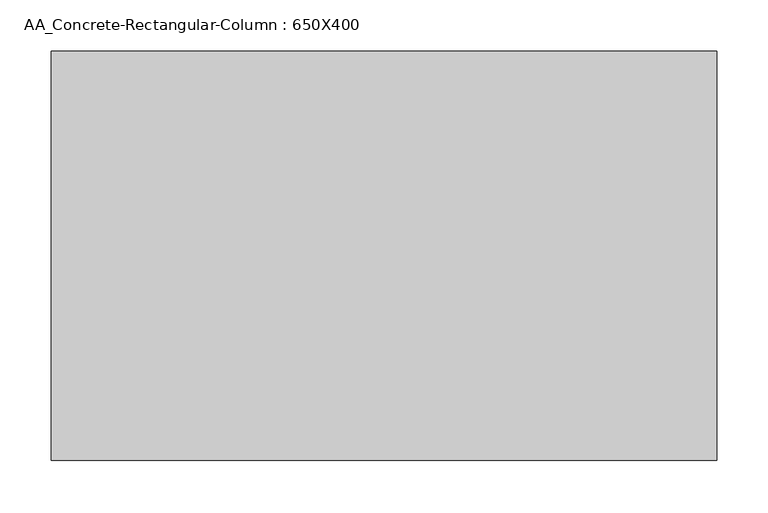
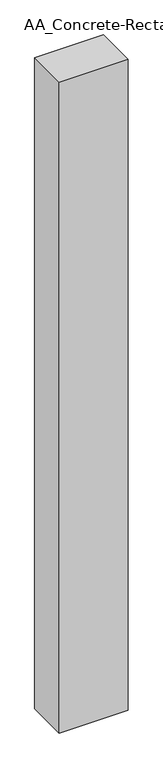
"""IFC4 building model written with IfcOpenShell, lengths in millimetres: column geometry, AA_Concrete-Rectangular-Column : 650X400."""

import ifcopenshell
import ifcopenshell.guid

model = None  # the IFC model being written
_history = None  # IfcOwnerHistory: only IFC2X3 demands one
_inside = {}  # id of a spatial element -> (the spatial element, [elements in it])
_under = {}  # id of a project, library or spatial element -> (it, [spatial elements below it])
_declared = {}  # id of a project -> (the project, [libraries it declares])
_typed = {}  # id of a type object -> (the type object, [elements of that type])
_made_of = {}  # id of a material, layer set ... -> (it, [elements and type objects made of it])


def new_model(schema):
    """Start an empty IFC model of exactly this schema.

    Asked for "IFC4X3", IfcOpenShell would pick the latest addendum, in which some entities
    have other attributes; the version numbers below select the first issue.
    IFC2X3 requires an IfcOwnerHistory on every rooted entity: one is made here for all.
    """
    global model, _history
    if schema == "IFC4X3":
        model = ifcopenshell.file(schema_version=(4, 3, 0, 0))
    else:
        model = ifcopenshell.file(schema=schema)
    _inside.clear()
    _under.clear()
    _declared.clear()
    _typed.clear()
    _made_of.clear()
    _history = None
    if model.schema == "IFC2X3":
        org = make("IfcOrganization", Name="unknown")
        user = make(
            "IfcPersonAndOrganization",
            ThePerson=make("IfcPerson", FamilyName="unknown"),
            TheOrganization=org,
        )
        app = make(
            "IfcApplication",
            ApplicationDeveloper=org,
            Version="unknown",
            ApplicationFullName="unknown",
            ApplicationIdentifier="unknown",
        )
        _history = make(
            "IfcOwnerHistory",
            OwningUser=user,
            OwningApplication=app,
            ChangeAction="ADDED",
            CreationDate=0,
        )
    return model


def make(cls, **values):
    """One entity of the class cls with the attributes given. An attribute that is None is left unset."""
    return model.create_entity(
        cls, **{name: value for name, value in values.items() if value is not None}
    )


def rooted(cls, **values):
    """An entity with a GlobalId (a new one), such as an element, a storey or a relation."""
    return make(cls, GlobalId=ifcopenshell.guid.new(), OwnerHistory=_history, **values)


def si_unit(unit_type, name, prefix=None):
    """IfcSIUnit, for example si_unit("LENGTHUNIT", "METRE", prefix="MILLI")."""
    return make("IfcSIUnit", UnitType=unit_type, Prefix=prefix, Name=name)


def assignment(units):
    """IfcUnitAssignment: the units of a project."""
    return None if units is None else make("IfcUnitAssignment", Units=units)


def point(xyz):
    """IfcCartesianPoint."""
    return None if xyz is None else make("IfcCartesianPoint", Coordinates=xyz)


def direction(xyz):
    """IfcDirection."""
    return None if xyz is None else make("IfcDirection", DirectionRatios=xyz)


def frame(location, z_axis=None, x_axis=None):
    """IfcAxis2Placement3D, a coordinate frame: its origin and axes. An axis left out is left unset."""
    return make(
        "IfcAxis2Placement3D",
        Location=point(location),
        Axis=direction(z_axis),
        RefDirection=direction(x_axis),
    )


def origin():
    """The frame at (0, 0, 0) with its axes left unset."""
    return frame((0.0, 0.0, 0.0))


def place(relative_to, where):
    """IfcLocalPlacement: puts the frame where relative to a parent placement (None: the world)."""
    return make(
        "IfcLocalPlacement", PlacementRelTo=relative_to, RelativePlacement=where
    )


def context(
    kind, dimensions, precision=None, world=None, true_north=None, identifier=None
):
    """IfcGeometricRepresentationContext, for example the 3D "Model" context."""
    return make(
        "IfcGeometricRepresentationContext",
        ContextIdentifier=identifier,
        ContextType=kind,
        CoordinateSpaceDimension=dimensions,
        Precision=precision,
        WorldCoordinateSystem=world,
        TrueNorth=true_north,
    )


def project(units=None, contexts=None):
    """IfcProject with its units and contexts."""
    return rooted(
        "IfcProject",
        Name="project",
        RepresentationContexts=contexts,
        UnitsInContext=assignment(units),
    )


def spatial(cls, under=None, at=None, **own):
    """A site, building, storey or space (cls), placed at a placement, below another one or the project."""
    s = rooted(cls, ObjectPlacement=at, **own)
    if under is not None:
        _under.setdefault(under.id(), (under, []))[1].append(s)
    return s


def polyline(points):
    """IfcPolyline through the points."""
    return make("IfcPolyline", Points=[point(p) for p in points])


def outline(outer, holes=None, kind="AREA"):
    """IfcArbitraryClosedProfileDef: a profile drawn as a closed curve; with holes, ...WithVoids."""
    if holes is None:
        return make("IfcArbitraryClosedProfileDef", ProfileType=kind, OuterCurve=outer)
    return make(
        "IfcArbitraryProfileDefWithVoids",
        ProfileType=kind,
        OuterCurve=outer,
        InnerCurves=holes,
    )


def extrude(swept, where, along, depth):
    """IfcExtrudedAreaSolid: the profile swept, set in the frame where, extruded along a direction by depth."""
    return make(
        "IfcExtrudedAreaSolid",
        SweptArea=swept,
        Position=where,
        ExtrudedDirection=direction(along),
        Depth=depth,
    )


def shape(context_of_items, identifier, shape_type, items):
    """IfcShapeRepresentation: the items that make up one representation, for example the "Body"."""
    return make(
        "IfcShapeRepresentation",
        ContextOfItems=context_of_items,
        RepresentationIdentifier=identifier,
        RepresentationType=shape_type,
        Items=items,
    )


def source(mapping_origin, context_of_items, identifier, shape_type, items):
    """IfcRepresentationMap: a shape defined once, which mapped items show again and again."""
    return make(
        "IfcRepresentationMap",
        MappingOrigin=mapping_origin,
        MappedRepresentation=shape(context_of_items, identifier, shape_type, items),
    )


def transform(
    local_origin,
    x_axis=None,
    y_axis=None,
    z_axis=None,
    scale=None,
    scale2=None,
    scale3=None,
    uniform=True,
):
    """IfcCartesianTransformationOperator3D, or its non-uniform kind. x_axis, y_axis, z_axis: its Axis1, 2, 3."""
    if uniform:
        return make(
            "IfcCartesianTransformationOperator3D",
            Axis1=direction(x_axis),
            Axis2=direction(y_axis),
            LocalOrigin=point(local_origin),
            Scale=scale,
            Axis3=direction(z_axis),
        )
    return make(
        "IfcCartesianTransformationOperator3DnonUniform",
        Axis1=direction(x_axis),
        Axis2=direction(y_axis),
        LocalOrigin=point(local_origin),
        Scale=scale,
        Axis3=direction(z_axis),
        Scale2=scale2,
        Scale3=scale3,
    )


def mapped(mapping_source, mapping_target):
    """IfcMappedItem: shows the shape of a source again, moved by a transform."""
    return make(
        "IfcMappedItem", MappingSource=mapping_source, MappingTarget=mapping_target
    )


def made_of(thing, what):
    """Note that an element or type object is made of a material, layer set ...; save() writes the relation."""
    if what is not None:
        _made_of.setdefault(what.id(), (what, []))[1].append(thing)
    return thing


def element(
    cls,
    number,
    at=None,
    inside=None,
    cuts=None,
    type_object=None,
    material=None,
    context=None,
    identifier="Body",
    shape_type=None,
    held_by="IfcProductDefinitionShape",
    body=None,
    shapes=None,
    **own,
):
    """One element of the class cls, such as IfcWall. Its Tag is "e" and its number.

    at: its placement. inside: the storey or other place that contains it. cuts: it is an
    opening in that element (IfcRelVoidsElement). A single representation is given by context,
    identifier, shape_type and body (its items); several are given by shapes. held_by: the class
    of the entity that holds the representations. save() writes the other relations.
    """
    e = rooted(cls, Tag="e%d" % number, ObjectPlacement=at, **own)
    if body is not None:
        shapes = [shape(context, identifier, shape_type, body)]
    if shapes is not None:
        e.Representation = make(held_by, Representations=shapes)
    if inside is not None:
        _inside.setdefault(inside.id(), (inside, []))[1].append(e)
    if cuts is not None:
        rooted(
            "IfcRelVoidsElement", RelatingBuildingElement=cuts, RelatedOpeningElement=e
        )
    if type_object is not None:
        _typed.setdefault(type_object.id(), (type_object, []))[1].append(e)
    return made_of(e, material)


def aggregate(whole, parts):
    """IfcRelAggregates: a whole, such as a stair, and the parts it consists of."""
    return rooted("IfcRelAggregates", RelatingObject=whole, RelatedObjects=parts)


def save(model, path):
    """Write the relations noted so far, then the file.

    IfcRelAggregates (storeys below a building ...), IfcRelContainedInSpatialStructure (elements
    in a storey), IfcRelDefinesByType, IfcRelAssociatesMaterial and IfcRelDeclares: one each for
    every whole, place, type object, material and project.
    """
    for whole, parts in _under.values():
        aggregate(whole, parts)
    for where, things in _inside.values():
        rooted(
            "IfcRelContainedInSpatialStructure",
            RelatedElements=things,
            RelatingStructure=where,
        )
    for kind, things in _typed.values():
        rooted("IfcRelDefinesByType", RelatedObjects=things, RelatingType=kind)
    for what, things in _made_of.values():
        rooted("IfcRelAssociatesMaterial", RelatedObjects=things, RelatingMaterial=what)
    for by, libraries in _declared.values():
        rooted("IfcRelDeclares", RelatingContext=by, RelatedDefinitions=libraries)
    model.write(path)


def aa_concrete_rectangular_column_650x400_cbd3d94d(model_context):
    return source(origin(), model_context, "Body", "SweptSolid", [
        extrude(outline(polyline([(325.0, 200.0), (325.0, -200.0), (-325.0, -200.0), (-325.0, 200.0), (325.0, 200.0)])), frame((0.0, 0.0, -2500.0), z_axis=(0.0, 0.0, 1.0), x_axis=(1.0, 0.0, 0.0)), (0.0, 0.0, 1.0), 6500.0),
    ])


if __name__ == "__main__":
    model = new_model("IFC4")
    model_context = context("Model", 3, world=origin())
    ifc_project = project(units=[si_unit("LENGTHUNIT", "METRE", prefix="MILLI")], contexts=[model_context])
    site = spatial("IfcSite", under=ifc_project)
    building = spatial("IfcBuilding", under=site)
    placement = place(None, origin())
    aa_concrete_rectangular_column_650x400_shape = aa_concrete_rectangular_column_650x400_cbd3d94d(model_context)
    element("IfcColumn", 1, ObjectType="AA_Concrete-Rectangular-Column : 650X400", at=placement, inside=building, context=model_context, shape_type="MappedRepresentation", body=[
        mapped(aa_concrete_rectangular_column_650x400_shape, transform((0.0, 0.0, 0.0), x_axis=(1.0, 0.0, 0.0), y_axis=(0.0, 1.0, 0.0), z_axis=(0.0, 0.0, 1.0))),
    ])
    save(model, "model.ifc")
